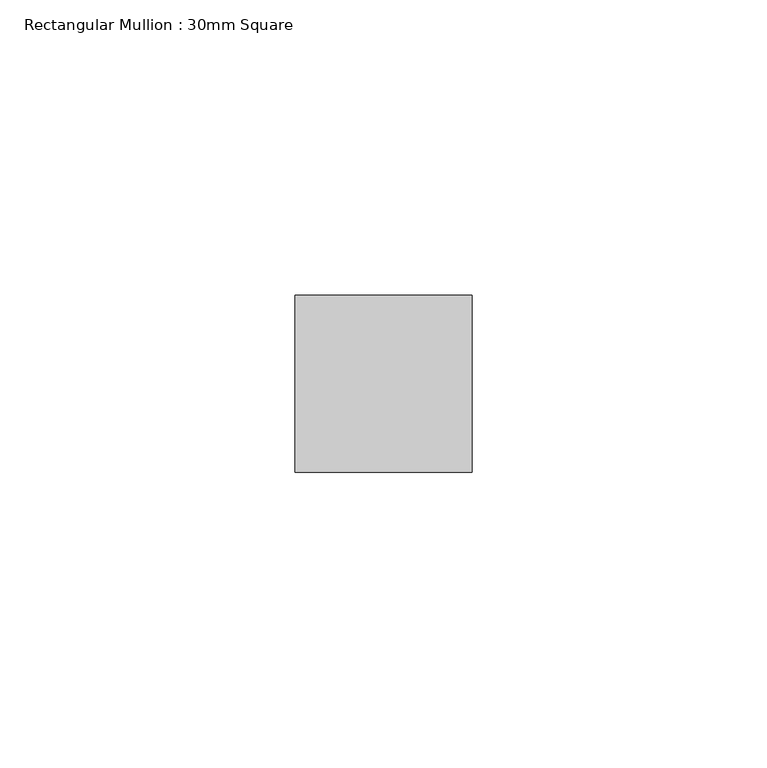
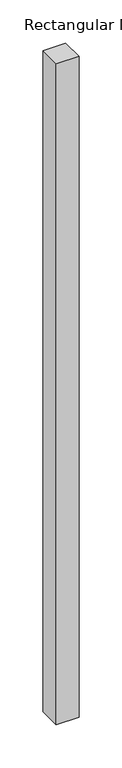
"""IFC4 building model written with IfcOpenShell, lengths in millimetres: member geometry, Rectangular Mullion : 30mm Square."""

from ifc_helpers import new_model, si_unit, frame, origin, place, context, project, spatial, polyline, outline, extrude, source, transform, mapped, element, save


def rectangular_mullion_30mm_square_26b36334(model_context):
    return source(origin(), model_context, "Body", "SweptSolid", [
        extrude(outline(polyline([(15.0, 15.0), (15.0, -15.0), (-15.0, -15.0), (-15.0, 15.0), (15.0, 15.0)])), frame((0.0, 0.0, -928.9565766), z_axis=(0.0, 0.0, 1.0), x_axis=(1.0, 0.0, 0.0)), (0.0, 0.0, 1.0), 928.9565766),
    ])


if __name__ == "__main__":
    model = new_model("IFC4")
    model_context = context("Model", 3, world=origin())
    ifc_project = project(units=[si_unit("LENGTHUNIT", "METRE", prefix="MILLI")], contexts=[model_context])
    site = spatial("IfcSite", under=ifc_project)
    building = spatial("IfcBuilding", under=site)
    placement = place(None, origin())
    rectangular_mullion_30mm_square_shape = rectangular_mullion_30mm_square_26b36334(model_context)
    element("IfcMember", 1, ObjectType="Rectangular Mullion : 30mm Square", at=placement, inside=building, context=model_context, shape_type="MappedRepresentation", body=[
        mapped(rectangular_mullion_30mm_square_shape, transform((0.0, 0.0, 0.0), x_axis=(1.0, 0.0, 0.0), y_axis=(0.0, 1.0, 0.0), z_axis=(0.0, 0.0, 1.0))),
    ])
    save(model, "model.ifc")
